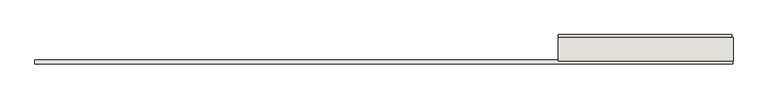
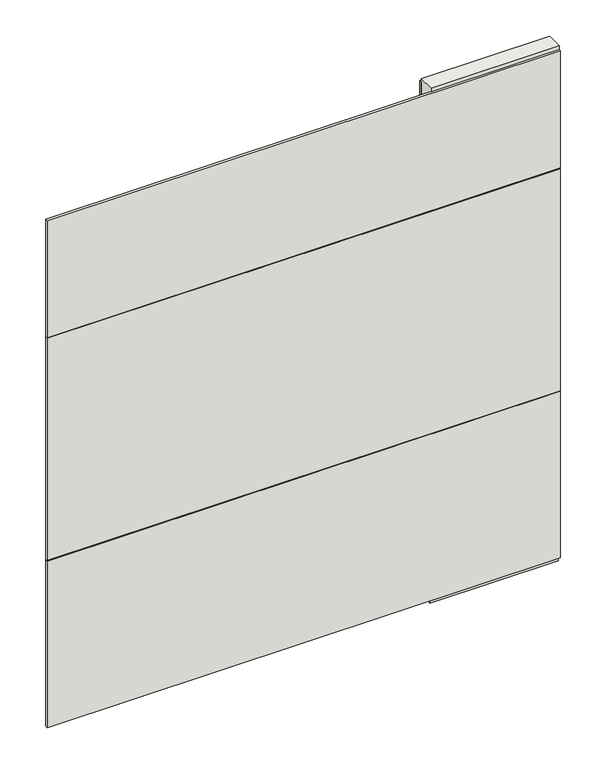
"""IFC4 building model written with IfcOpenShell, lengths in millimetres: wall geometry."""

from ifc_helpers import new_model, si_unit, frame, origin, place, context, project, spatial, polyline, outline, extrude, source, transform, mapped, element, save


def wall_4119943b(model_context):
    return source(origin(), model_context, "Body", "SweptSolid", [
        extrude(outline(polyline([(51413.3318696, -44700.2036398), (51410.7918696, -44700.2036398), (51410.7918696, -44697.6636398), (51413.3318696, -44697.6636398), (51413.3318696, -44700.2036398)])), frame((0.0, 0.0, 4419.6), z_axis=(0.0, 0.0, 1.0), x_axis=(1.0, 0.0, 0.0)), (0.0, 0.0, 1.0), 2.54),
        extrude(outline(polyline([(50803.2650684, -44648.1336398), (51408.8650256, -44648.1336398), (51408.8650256, -44660.8336398), (50803.2650684, -44660.8336398), (50803.2650684, -44648.1336398)])), frame((0.0, 0.0, 4445.0), z_axis=(0.0, 0.0, 1.0), x_axis=(1.0, 0.0, 0.0)), (0.0, 0.0, 1.0), 2545.0498756),
        extrude(outline(polyline([(51411.328978, -44749.7336398), (48976.403952, -44749.7336398), (48976.403952, -44737.0336398), (51411.328978, -44737.0336398), (51411.328978, -44749.7336398)])), frame((0.0, 0.0, 6402.8000722), z_axis=(0.0, 0.0, 1.0), x_axis=(1.0, 0.0, 0.0)), (0.0, 0.0, 1.0), 587.2498034),
        extrude(outline(polyline([(51411.328978, -44749.7336398), (48976.403952, -44749.7336398), (48976.403952, -44737.0336398), (51411.328978, -44737.0336398), (51411.328978, -44749.7336398)])), frame((0.0, 0.0, 5285.2000722), z_axis=(0.0, 0.0, 1.0), x_axis=(1.0, 0.0, 0.0)), (0.0, 0.0, 1.0), 1113.5999572),
        extrude(outline(polyline([(51411.328978, -44749.7336398), (48976.403952, -44749.7336398), (48976.403952, -44737.0336398), (51411.328978, -44737.0336398), (51411.328978, -44749.7336398)])), frame((0.0, 0.0, 4445.0), z_axis=(0.0, 0.0, 1.0), x_axis=(1.0, 0.0, 0.0)), (0.0, 0.0, 1.0), 836.200004),
        extrude(outline(polyline([(51413.3331142, -44673.8498952), (50803.7331142, -44673.8498952), (50803.7331142, -44668.7711398), (51413.3331142, -44668.7711398), (51413.3331142, -44673.8498952)])), frame((0.0, 0.0, 4418.6602), z_axis=(0.0, 0.0, 1.0), x_axis=(1.0, 0.0, 0.0)), (0.0, 0.0, 1.0), 47.625),
        extrude(outline(polyline([(51413.3331142, -44673.8498952), (50803.7331142, -44673.8498952), (50803.7331142, -44668.7711398), (51413.3331142, -44668.7711398), (51413.3331142, -44673.8498952)])), frame((0.0, 0.0, 4418.6602), z_axis=(0.0, 0.0, 1.0), x_axis=(1.0, 0.0, 0.0)), (0.0, 0.0, 1.0), 47.625),
        extrude(outline(polyline([(50803.7331142, -44724.0142856), (51413.3331142, -44724.0142856), (51413.3331142, -44729.0961398), (50803.7331142, -44729.0961398), (50803.7331142, -44724.0142856)])), frame((0.0, 0.0, 4418.6602), z_axis=(0.0, 0.0, 1.0), x_axis=(1.0, 0.0, 0.0)), (0.0, 0.0, 1.0), 47.625),
        extrude(outline(polyline([(50803.7331142, -44724.0142856), (51413.3331142, -44724.0142856), (51413.3331142, -44729.0961398), (50803.7331142, -44729.0961398), (50803.7331142, -44724.0142856)])), frame((0.0, 0.0, 4418.6602), z_axis=(0.0, 0.0, 1.0), x_axis=(1.0, 0.0, 0.0)), (0.0, 0.0, 1.0), 47.625),
        extrude(outline(polyline([(51413.3331142, -44658.30667), (51413.3331142, -44739.5854254), (50803.7331142, -44739.5854254), (50803.7331142, -44658.30667), (51413.3331142, -44658.30667)])), frame((0.0, 0.0, 4445.0), z_axis=(0.0, 0.0, 1.0), x_axis=(1.0, 0.0, 0.0)), (0.0, 0.0, 1.0), 2562.4536762),
    ])


if __name__ == "__main__":
    model = new_model("IFC4")
    model_context = context("Model", 3, world=origin())
    ifc_project = project(units=[si_unit("LENGTHUNIT", "METRE", prefix="MILLI")], contexts=[model_context])
    site = spatial("IfcSite", under=ifc_project)
    building = spatial("IfcBuilding", under=site)
    placement = place(None, origin())
    wall_shape = wall_4119943b(model_context)
    element("IfcWall", 1, at=placement, inside=building, context=model_context, shape_type="MappedRepresentation", body=[
        mapped(wall_shape, transform((0.0, 0.0, 0.0), x_axis=(1.0, 0.0, 0.0), y_axis=(0.0, 1.0, 0.0), z_axis=(0.0, 0.0, 1.0))),
    ])
    save(model, "model.ifc")
